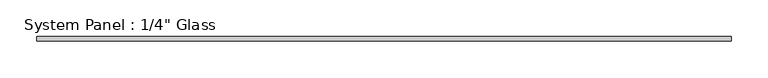
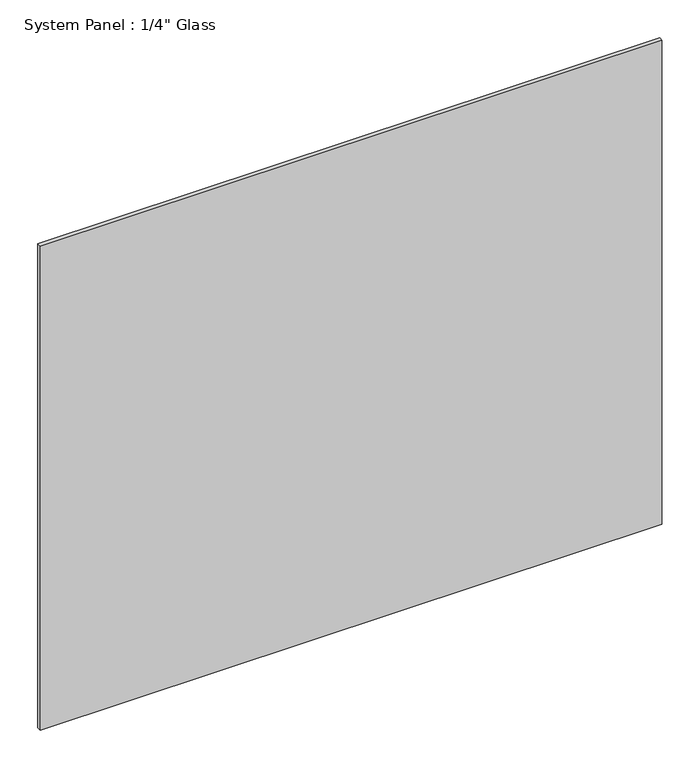
"""IFC4 building model written with IfcOpenShell, lengths in millimetres: plate geometry."""

from ifc_helpers import new_model, si_unit, origin, origin_with_axes, place, context, project, spatial, polyline, outline, extrude, source, transform, mapped, element, save


def plate_ba75bdd9(model_context):
    return source(origin(), model_context, "Body", "SweptSolid", [
        extrude(outline(polyline([(472.6408815, -3.175), (-472.6408815, -3.175), (-472.6408815, 3.175), (472.6408815, 3.175), (472.6408815, -3.175)])), origin_with_axes(), (0.0, 0.0, 1.0), 777.875),
    ])


if __name__ == "__main__":
    model = new_model("IFC4")
    model_context = context("Model", 3, world=origin())
    ifc_project = project(units=[si_unit("LENGTHUNIT", "METRE", prefix="MILLI")], contexts=[model_context])
    site = spatial("IfcSite", under=ifc_project)
    building = spatial("IfcBuilding", under=site)
    placement = place(None, origin())
    plate_shape = plate_ba75bdd9(model_context)
    element("IfcPlate", 1, ObjectType="System Panel : 1/4\" Glass", at=placement, inside=building, context=model_context, shape_type="MappedRepresentation", body=[
        mapped(plate_shape, transform((0.0, 0.0, 0.0), x_axis=(1.0, 0.0, 0.0), y_axis=(0.0, 1.0, 0.0), z_axis=(0.0, 0.0, 1.0))),
    ])
    save(model, "model.ifc")
